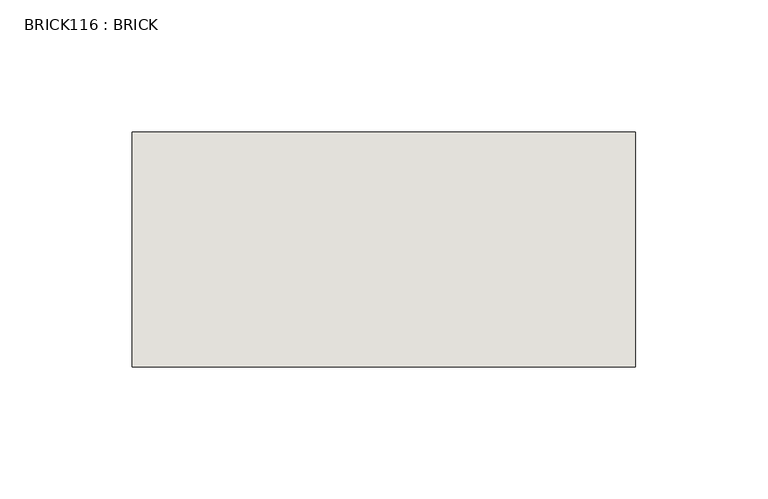
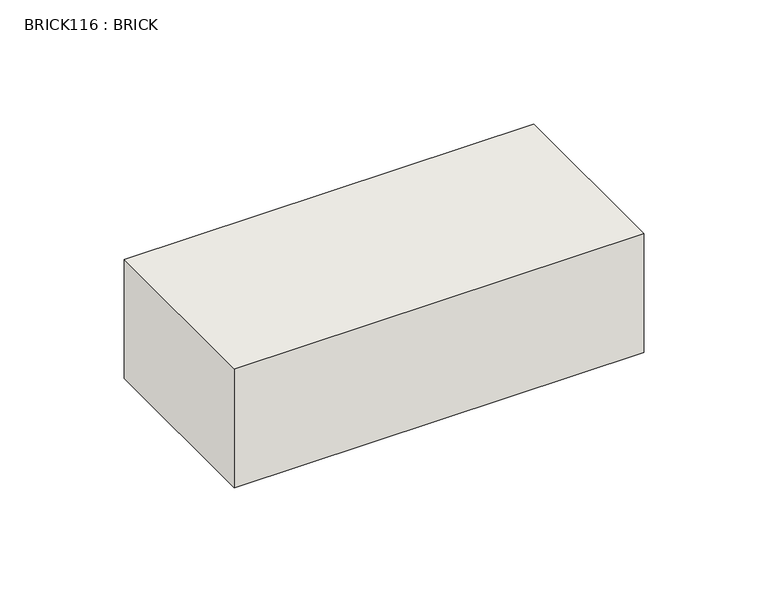
"""IFC4 building model written with IfcOpenShell, lengths in millimetres: wall geometry, BRICK116 : BRICK."""

from ifc_helpers import new_model, si_unit, frame, origin, place, context, project, spatial, polyline, outline, extrude, source, transform, mapped, element, save


def brick116_brick_3a4c6992(model_context):
    return source(origin(), model_context, "Body", "SweptSolid", [
        extrude(outline(polyline([(732.1272594, 2586.2274125), (922.6272594, 2586.2274125), (922.6272594, 2497.3274125), (732.1272594, 2497.3274125), (732.1272594, 2586.2274125)])), frame((0.0, 0.0, 4.1671875), z_axis=(0.0, 0.0, 1.0), x_axis=(1.0, 0.0, 0.0)), (0.0, 0.0, 1.0), 58.4398437),
    ])


if __name__ == "__main__":
    model = new_model("IFC4")
    model_context = context("Model", 3, world=origin())
    ifc_project = project(units=[si_unit("LENGTHUNIT", "METRE", prefix="MILLI")], contexts=[model_context])
    site = spatial("IfcSite", under=ifc_project)
    building = spatial("IfcBuilding", under=site)
    placement = place(None, origin())
    brick116_brick_shape = brick116_brick_3a4c6992(model_context)
    element("IfcWall", 1, ObjectType="BRICK116 : BRICK", at=placement, inside=building, context=model_context, shape_type="MappedRepresentation", body=[
        mapped(brick116_brick_shape, transform((0.0, 0.0, 0.0), x_axis=(1.0, 0.0, 0.0), y_axis=(0.0, 1.0, 0.0), z_axis=(0.0, 0.0, 1.0))),
    ])
    save(model, "model.ifc")
